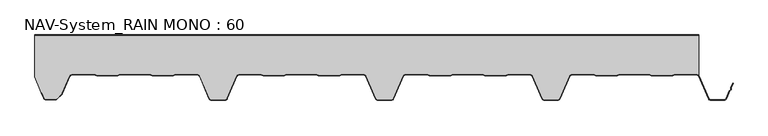
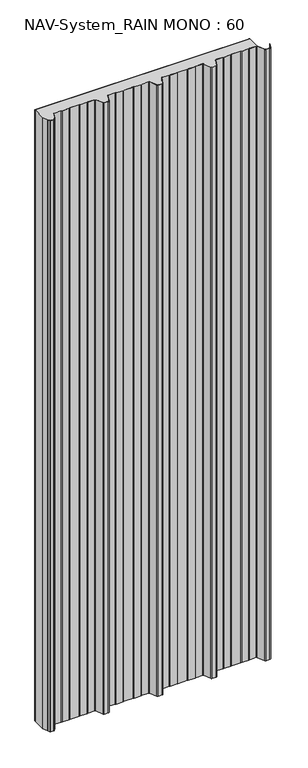
"""IFC4 building model written with IfcOpenShell, lengths in millimetres: plate geometry, NAV-System_RAIN MONO : 60."""

from ifc_helpers import new_model, si_unit, point, frame_2d, origin, origin_with_axes, place, context, project, spatial, polyline, circle_curve, trimmed, segment, composite_curve, outline, extrude, source, transform, mapped, element, save


def nav_system_rain_mono_60_f39ccc45(model_context):
    return source(origin(), model_context, "Body", "SweptSolid", [
        extrude(outline(polyline([(519.0, -0.8), (-478.0, -0.8), (-478.0, 0.0), (519.0, 0.0), (519.0, -0.8)])), origin_with_axes(), (0.0, 0.0, 1.0), 3000.0),
        extrude(outline(composite_curve([segment(trimmed(circle_curve(frame_2d((515.5898022, -64.0)), 4.8), [point((519.0, -60.6220493))], [point((515.5898022, -59.2))], True, "CARTESIAN"), True, "CONTINUOUS"), segment(polyline([(515.5898022, -59.2), (483.6922468, -59.2), (479.6508228, -60.7), (448.0723788, -60.6741102), (444.1768702, -59.2), (400.3589135, -59.2), (396.3174895, -60.7), (364.7390455, -60.6741102), (360.8435369, -59.2), (328.9416341, -59.2)]), True, "CONTINUOUS"), segment(trimmed(circle_curve(frame_2d((328.9416341, -64.0)), 4.8), [point((328.9416341, -59.2))], [point((324.5314363, -62.1052295))], True, "CARTESIAN"), True, "CONTINUOUS"), segment(polyline([(324.5314363, -62.1052295), (310.330878, -95.1579242)]), True, "CONTINUOUS"), segment(trimmed(circle_curve(frame_2d((306.4719549, -93.5)), 4.2), [point((310.330878, -95.1579242))], [point((306.4719549, -97.7))], False, "CARTESIAN"), True, "CONTINUOUS"), segment(polyline([(306.4719549, -97.7), (288.0594814, -97.7)]), True, "CONTINUOUS"), segment(trimmed(circle_curve(frame_2d((288.0594814, -93.5)), 4.2), [point((288.0594814, -97.7))], [point((284.2005583, -95.1579242))], False, "CARTESIAN"), True, "CONTINUOUS"), segment(polyline([(284.2005583, -95.1579242), (270.0, -62.1052295)]), True, "CONTINUOUS"), segment(trimmed(circle_curve(frame_2d((265.5898022, -64.0)), 4.8), [point((270.0, -62.1052295))], [point((265.5898022, -59.2))], True, "CARTESIAN"), True, "CONTINUOUS"), segment(polyline([(265.5898022, -59.2), (233.6922468, -59.2), (229.6508228, -60.7), (198.0723788, -60.6741102), (194.1768702, -59.2), (150.3589135, -59.2), (146.3174895, -60.7), (114.8074622, -60.7), (110.8435369, -59.2), (78.9416341, -59.2)]), True, "CONTINUOUS"), segment(trimmed(circle_curve(frame_2d((78.9416341, -64.0)), 4.8), [point((78.9416341, -59.2))], [point((74.5314363, -62.1052295))], True, "CARTESIAN"), True, "CONTINUOUS"), segment(polyline([(74.5314363, -62.1052295), (60.330878, -95.1579242)]), True, "CONTINUOUS"), segment(trimmed(circle_curve(frame_2d((56.4719549, -93.5)), 4.2), [point((60.330878, -95.1579242))], [point((56.4719549, -97.7))], False, "CARTESIAN"), True, "CONTINUOUS"), segment(polyline([(56.4719549, -97.7), (38.0594814, -97.7)]), True, "CONTINUOUS"), segment(trimmed(circle_curve(frame_2d((38.0594814, -93.5)), 4.2), [point((38.0594814, -97.7))], [point((34.2005583, -95.1579242))], False, "CARTESIAN"), True, "CONTINUOUS"), segment(polyline([(34.2005583, -95.1579242), (20.0, -62.1052295)]), True, "CONTINUOUS"), segment(trimmed(circle_curve(frame_2d((15.5898022, -64.0)), 4.8), [point((20.0, -62.1052295))], [point((15.5898022, -59.2))], True, "CARTESIAN"), True, "CONTINUOUS"), segment(polyline([(15.5898022, -59.2), (-16.3077532, -59.2), (-20.3491772, -60.7), (-51.9276212, -60.6741102), (-55.8231298, -59.2), (-99.6410865, -59.2), (-103.6825105, -60.7), (-135.1925378, -60.7), (-139.1564631, -59.2), (-171.0583659, -59.2)]), True, "CONTINUOUS"), segment(trimmed(circle_curve(frame_2d((-171.0583659, -64.0)), 4.8), [point((-171.0583659, -59.2))], [point((-175.4685637, -62.1052295))], True, "CARTESIAN"), True, "CONTINUOUS"), segment(polyline([(-175.4685637, -62.1052295), (-189.669122, -95.1579242)]), True, "CONTINUOUS"), segment(trimmed(circle_curve(frame_2d((-193.5280451, -93.5)), 4.2), [point((-189.669122, -95.1579242))], [point((-193.5280451, -97.7))], False, "CARTESIAN"), True, "CONTINUOUS"), segment(polyline([(-193.5280451, -97.7), (-211.9405186, -97.7)]), True, "CONTINUOUS"), segment(trimmed(circle_curve(frame_2d((-211.9405186, -93.5)), 4.2), [point((-211.9405186, -97.7))], [point((-215.7994417, -95.1579242))], False, "CARTESIAN"), True, "CONTINUOUS"), segment(polyline([(-215.7994417, -95.1579242), (-230.0, -62.1052295)]), True, "CONTINUOUS"), segment(trimmed(circle_curve(frame_2d((-234.4101978, -64.0)), 4.8), [point((-230.0, -62.1052295))], [point((-234.4101978, -59.2))], True, "CARTESIAN"), True, "CONTINUOUS"), segment(polyline([(-234.4101978, -59.2), (-266.3077532, -59.2), (-270.3491772, -60.7), (-301.9276212, -60.6741102), (-305.8231298, -59.2), (-349.6410865, -59.2), (-353.6825105, -60.7), (-385.1925378, -60.7), (-389.1564631, -59.2), (-421.9290751, -59.2)]), True, "CONTINUOUS"), segment(trimmed(circle_curve(frame_2d((-421.9290751, -64.0)), 4.8), [point((-421.9290751, -59.2))], [point((-426.3392729, -62.1052295))], True, "CARTESIAN"), True, "CONTINUOUS"), segment(polyline([(-426.3392729, -62.1052295), (-437.4245651, -87.9069459)]), True, "CONTINUOUS"), segment(trimmed(circle_curve(frame_2d((-441.2834882, -86.2490217)), 4.2), [point((-437.4245651, -87.9069459))], [point((-438.3136397, -89.2188701))], False, "CARTESIAN"), True, "CONTINUOUS"), segment(polyline([(-438.3136397, -89.2188701), (-444.764618, -95.6698485)]), True, "CONTINUOUS"), segment(trimmed(circle_curve(frame_2d((-447.7344665, -92.7)), 4.2), [point((-444.764618, -95.6698485))], [point((-447.7344665, -96.9))], False, "CARTESIAN"), True, "CONTINUOUS"), segment(polyline([(-447.7344665, -96.9), (-461.1405186, -96.9)]), True, "CONTINUOUS"), segment(trimmed(circle_curve(frame_2d((-461.1405186, -93.7)), 3.2), [point((-461.1405186, -96.9))], [point((-464.1022482, -94.9116756))], False, "CARTESIAN"), True, "CONTINUOUS"), segment(polyline([(-464.1022482, -94.9116756), (-467.6292254, -86.2905951), (-468.3696578, -86.593514), (-478.0, -63.053822), (-478.0, -0.8), (519.0, -0.8), (519.0, -60.6220493)]), True, "CONTINUOUS")], self_intersect=False)), origin_with_axes(), (0.0, 0.0, 1.0), 3000.0),
        extrude(outline(composite_curve([segment(polyline([(-464.8430228, -95.2145945), (-468.37, -86.593514), (-467.6295676, -86.2905951), (-464.1025904, -94.9116756)]), True, "CONTINUOUS"), segment(trimmed(circle_curve(frame_2d((-461.1408608, -93.7)), 3.2), [point((-464.1025904, -94.9116756))], [point((-461.1408608, -96.9))], True, "CARTESIAN"), True, "CONTINUOUS"), segment(polyline([(-461.1408608, -96.9), (-447.7348087, -96.9)]), True, "CONTINUOUS"), segment(trimmed(circle_curve(frame_2d((-447.7348087, -92.7)), 4.2), [point((-447.7348087, -96.9))], [point((-444.7649603, -95.6698485))], True, "CARTESIAN"), True, "CONTINUOUS"), segment(polyline([(-444.7649603, -95.6698485), (-438.3139819, -89.2188701)]), True, "CONTINUOUS"), segment(trimmed(circle_curve(frame_2d((-441.2838304, -86.2490217)), 4.2), [point((-438.3139819, -89.2188701))], [point((-437.4249073, -87.9069459))], True, "CARTESIAN"), True, "CONTINUOUS"), segment(polyline([(-437.4249073, -87.9069459), (-426.3396151, -62.1052295)]), True, "CONTINUOUS"), segment(trimmed(circle_curve(frame_2d((-421.9294173, -64.0)), 4.8), [point((-426.3396151, -62.1052295))], [point((-421.9294173, -59.2))], False, "CARTESIAN"), True, "CONTINUOUS"), segment(polyline([(-421.9294173, -59.2), (-389.1568054, -59.2), (-385.19288, -60.7), (-353.6828527, -60.7), (-349.6414287, -59.2), (-305.8234721, -59.2), (-301.9279634, -60.6741102), (-270.3495194, -60.7), (-266.3080954, -59.2), (-234.41054, -59.2)]), True, "CONTINUOUS"), segment(trimmed(circle_curve(frame_2d((-234.41054, -64.0)), 4.8), [point((-234.41054, -59.2))], [point((-230.0003422, -62.1052295))], False, "CARTESIAN"), True, "CONTINUOUS"), segment(polyline([(-230.0003422, -62.1052295), (-215.7997839, -95.1579242)]), True, "CONTINUOUS"), segment(trimmed(circle_curve(frame_2d((-211.9408608, -93.5)), 4.2), [point((-215.7997839, -95.1579242))], [point((-211.9408608, -97.7))], True, "CARTESIAN"), True, "CONTINUOUS"), segment(polyline([(-211.9408608, -97.7), (-193.5283873, -97.7)]), True, "CONTINUOUS"), segment(trimmed(circle_curve(frame_2d((-193.5283873, -93.5)), 4.2), [point((-193.5283873, -97.7))], [point((-189.6694642, -95.1579242))], True, "CARTESIAN"), True, "CONTINUOUS"), segment(polyline([(-189.6694642, -95.1579242), (-175.4689059, -62.1052295)]), True, "CONTINUOUS"), segment(trimmed(circle_curve(frame_2d((-171.0587081, -64.0)), 4.8), [point((-175.4689059, -62.1052295))], [point((-171.0587081, -59.2))], False, "CARTESIAN"), True, "CONTINUOUS"), segment(polyline([(-171.0587081, -59.2), (-139.1568054, -59.2), (-135.2612967, -60.6741102), (-103.6828527, -60.7), (-99.6414287, -59.2), (-55.8234721, -59.2), (-51.9279634, -60.6741102), (-20.3495194, -60.7), (-16.3080954, -59.2), (15.58946, -59.2)]), True, "CONTINUOUS"), segment(trimmed(circle_curve(frame_2d((15.58946, -64.0)), 4.8), [point((15.58946, -59.2))], [point((19.9996578, -62.1052295))], False, "CARTESIAN"), True, "CONTINUOUS"), segment(polyline([(19.9996578, -62.1052295), (34.2002161, -95.1579242)]), True, "CONTINUOUS"), segment(trimmed(circle_curve(frame_2d((38.0591392, -93.5)), 4.2), [point((34.2002161, -95.1579242))], [point((38.0591392, -97.7))], True, "CARTESIAN"), True, "CONTINUOUS"), segment(polyline([(38.0591392, -97.7), (56.4716127, -97.7)]), True, "CONTINUOUS"), segment(trimmed(circle_curve(frame_2d((56.4716127, -93.5)), 4.2), [point((56.4716127, -97.7))], [point((60.3305358, -95.1579242))], True, "CARTESIAN"), True, "CONTINUOUS"), segment(polyline([(60.3305358, -95.1579242), (74.5310941, -62.1052295)]), True, "CONTINUOUS"), segment(trimmed(circle_curve(frame_2d((78.9412919, -64.0)), 4.8), [point((74.5310941, -62.1052295))], [point((78.9412919, -59.2))], False, "CARTESIAN"), True, "CONTINUOUS"), segment(polyline([(78.9412919, -59.2), (110.8431946, -59.2), (114.7387033, -60.6741102), (146.3171473, -60.7), (150.3585713, -59.2), (194.1765279, -59.2), (198.0720366, -60.6741102), (229.6504806, -60.7), (233.6919046, -59.2), (265.58946, -59.2)]), True, "CONTINUOUS"), segment(trimmed(circle_curve(frame_2d((265.58946, -64.0)), 4.8), [point((265.58946, -59.2))], [point((269.9996578, -62.1052295))], False, "CARTESIAN"), True, "CONTINUOUS"), segment(polyline([(269.9996578, -62.1052295), (284.2002161, -95.1579242)]), True, "CONTINUOUS"), segment(trimmed(circle_curve(frame_2d((288.0591392, -93.5)), 4.2), [point((284.2002161, -95.1579242))], [point((288.0591392, -97.7))], True, "CARTESIAN"), True, "CONTINUOUS"), segment(polyline([(288.0591392, -97.7), (306.4716127, -97.7)]), True, "CONTINUOUS"), segment(trimmed(circle_curve(frame_2d((306.4716127, -93.5)), 4.2), [point((306.4716127, -97.7))], [point((310.3305358, -95.1579242))], True, "CARTESIAN"), True, "CONTINUOUS"), segment(polyline([(310.3305358, -95.1579242), (324.5310941, -62.1052295)]), True, "CONTINUOUS"), segment(trimmed(circle_curve(frame_2d((328.9412919, -64.0)), 4.8), [point((324.5310941, -62.1052295))], [point((328.9412919, -59.2))], False, "CARTESIAN"), True, "CONTINUOUS"), segment(polyline([(328.9412919, -59.2), (360.8431946, -59.2), (364.7387033, -60.6741102), (396.3171473, -60.7), (400.3585713, -59.2), (444.1765279, -59.2), (448.0720366, -60.6741102), (479.6504806, -60.7), (483.6919046, -59.2), (515.58946, -59.2)]), True, "CONTINUOUS"), segment(trimmed(circle_curve(frame_2d((515.58946, -64.0)), 4.8), [point((515.58946, -59.2))], [point((519.9996578, -62.1052295))], False, "CARTESIAN"), True, "CONTINUOUS"), segment(polyline([(519.9996578, -62.1052295), (534.2002161, -95.1579242)]), True, "CONTINUOUS"), segment(trimmed(circle_curve(frame_2d((538.0591392, -93.5)), 4.2), [point((534.2002161, -95.1579242))], [point((538.0591392, -97.7))], True, "CARTESIAN"), True, "CONTINUOUS"), segment(polyline([(538.0591392, -97.7), (556.4716127, -97.7)]), True, "CONTINUOUS"), segment(trimmed(circle_curve(frame_2d((556.4716127, -93.5)), 4.2), [point((556.4716127, -97.7))], [point((560.3305358, -95.1579242))], True, "CARTESIAN"), True, "CONTINUOUS"), segment(polyline([(560.3305358, -95.1579242), (565.2356202, -83.741031), (567.1121268, -82.0654564), (567.0358547, -79.5508717), (570.0831709, -72.458051), (570.8182039, -72.7738461), (567.8408612, -79.703799), (567.9230626, -82.4138642), (565.9006789, -84.2196957), (561.0655687, -95.4737193)]), True, "CONTINUOUS"), segment(trimmed(circle_curve(frame_2d((556.4716127, -93.5)), 5.0), [point((561.0655687, -95.4737193))], [point((556.4716127, -98.5))], False, "CARTESIAN"), True, "CONTINUOUS"), segment(polyline([(556.4716127, -98.5), (538.0591392, -98.5)]), True, "CONTINUOUS"), segment(trimmed(circle_curve(frame_2d((538.0591392, -93.5)), 5.0), [point((538.0591392, -98.5))], [point((533.4651831, -95.4737193))], False, "CARTESIAN"), True, "CONTINUOUS"), segment(polyline([(533.4651831, -95.4737193), (519.2646248, -62.4210246)]), True, "CONTINUOUS"), segment(trimmed(circle_curve(frame_2d((515.58946, -64.0)), 4.0), [point((519.2646248, -62.4210246))], [point((515.58946, -60.0))], True, "CARTESIAN"), True, "CONTINUOUS"), segment(polyline([(515.58946, -60.0), (483.8338601, -60.0), (479.8699347, -61.5), (447.9941505, -61.5), (444.0302251, -60.0), (400.5005268, -60.0), (396.5366014, -61.5), (364.6608172, -61.5), (360.6968918, -60.0), (328.9412919, -60.0)]), True, "CONTINUOUS"), segment(trimmed(circle_curve(frame_2d((328.9412919, -64.0)), 4.0), [point((328.9412919, -60.0))], [point((325.2661271, -62.4210246))], True, "CARTESIAN"), True, "CONTINUOUS"), segment(polyline([(325.2661271, -62.4210246), (311.0655687, -95.4737193)]), True, "CONTINUOUS"), segment(trimmed(circle_curve(frame_2d((306.4716127, -93.5)), 5.0), [point((311.0655687, -95.4737193))], [point((306.4716127, -98.5))], False, "CARTESIAN"), True, "CONTINUOUS"), segment(polyline([(306.4716127, -98.5), (288.0591392, -98.5)]), True, "CONTINUOUS"), segment(trimmed(circle_curve(frame_2d((288.0591392, -93.5)), 5.0), [point((288.0591392, -98.5))], [point((283.4651831, -95.4737193))], False, "CARTESIAN"), True, "CONTINUOUS"), segment(polyline([(283.4651831, -95.4737193), (269.2646248, -62.4210246)]), True, "CONTINUOUS"), segment(trimmed(circle_curve(frame_2d((265.58946, -64.0)), 4.0), [point((269.2646248, -62.4210246))], [point((265.58946, -60.0))], True, "CARTESIAN"), True, "CONTINUOUS"), segment(polyline([(265.58946, -60.0), (233.8338601, -60.0), (229.8699347, -61.5), (197.9941505, -61.5), (194.0302251, -60.0), (150.5005268, -60.0), (146.5366014, -61.5), (114.6608172, -61.5), (110.6968918, -60.0), (78.9412919, -60.0)]), True, "CONTINUOUS"), segment(trimmed(circle_curve(frame_2d((78.9412919, -64.0)), 4.0), [point((78.9412919, -60.0))], [point((75.2661271, -62.4210246))], True, "CARTESIAN"), True, "CONTINUOUS"), segment(polyline([(75.2661271, -62.4210246), (61.0655687, -95.4737193)]), True, "CONTINUOUS"), segment(trimmed(circle_curve(frame_2d((56.4716127, -93.5)), 5.0), [point((61.0655687, -95.4737193))], [point((56.4716127, -98.5))], False, "CARTESIAN"), True, "CONTINUOUS"), segment(polyline([(56.4716127, -98.5), (38.0591392, -98.5)]), True, "CONTINUOUS"), segment(trimmed(circle_curve(frame_2d((38.0591392, -93.5)), 5.0), [point((38.0591392, -98.5))], [point((33.4651831, -95.4737193))], False, "CARTESIAN"), True, "CONTINUOUS"), segment(polyline([(33.4651831, -95.4737193), (19.2646248, -62.4210246)]), True, "CONTINUOUS"), segment(trimmed(circle_curve(frame_2d((15.58946, -64.0)), 4.0), [point((19.2646248, -62.4210246))], [point((15.58946, -60.0))], True, "CARTESIAN"), True, "CONTINUOUS"), segment(polyline([(15.58946, -60.0), (-16.1661399, -60.0), (-20.1300653, -61.5), (-52.0058495, -61.5), (-55.9697749, -60.0), (-99.4994732, -60.0), (-103.4633986, -61.5), (-135.3391828, -61.5), (-139.3031082, -60.0), (-171.0587081, -60.0)]), True, "CONTINUOUS"), segment(trimmed(circle_curve(frame_2d((-171.0587081, -64.0)), 4.0), [point((-171.0587081, -60.0))], [point((-174.7338729, -62.4210246))], True, "CARTESIAN"), True, "CONTINUOUS"), segment(polyline([(-174.7338729, -62.4210246), (-188.9344313, -95.4737193)]), True, "CONTINUOUS"), segment(trimmed(circle_curve(frame_2d((-193.5283873, -93.5)), 5.0), [point((-188.9344313, -95.4737193))], [point((-193.5283873, -98.5))], False, "CARTESIAN"), True, "CONTINUOUS"), segment(polyline([(-193.5283873, -98.5), (-211.9408608, -98.5)]), True, "CONTINUOUS"), segment(trimmed(circle_curve(frame_2d((-211.9408608, -93.5)), 5.0), [point((-211.9408608, -98.5))], [point((-216.5348169, -95.4737193))], False, "CARTESIAN"), True, "CONTINUOUS"), segment(polyline([(-216.5348169, -95.4737193), (-230.7353752, -62.4210246)]), True, "CONTINUOUS"), segment(trimmed(circle_curve(frame_2d((-234.41054, -64.0)), 4.0), [point((-230.7353752, -62.4210246))], [point((-234.41054, -60.0))], True, "CARTESIAN"), True, "CONTINUOUS"), segment(polyline([(-234.41054, -60.0), (-266.1661399, -60.0), (-270.1300653, -61.5), (-302.0058495, -61.5), (-305.9697749, -60.0), (-349.4994732, -60.0), (-353.4633986, -61.5), (-385.3391828, -61.5), (-389.3031082, -60.0), (-421.9294173, -60.0)]), True, "CONTINUOUS"), segment(trimmed(circle_curve(frame_2d((-421.9294173, -64.0)), 4.0), [point((-421.9294173, -60.0))], [point((-425.6045822, -62.4210246))], True, "CARTESIAN"), True, "CONTINUOUS"), segment(polyline([(-425.6045822, -62.4210246), (-436.6898744, -88.2227409)]), True, "CONTINUOUS"), segment(trimmed(circle_curve(frame_2d((-441.2838304, -86.2490217)), 5.0), [point((-436.6898744, -88.2227409))], [point((-437.7482965, -89.7845556))], False, "CARTESIAN"), True, "CONTINUOUS"), segment(polyline([(-437.7482965, -89.7845556), (-444.1992748, -96.2355339)]), True, "CONTINUOUS"), segment(trimmed(circle_curve(frame_2d((-447.7348087, -92.7)), 5.0), [point((-444.1992748, -96.2355339))], [point((-447.7348087, -97.7))], False, "CARTESIAN"), True, "CONTINUOUS"), segment(polyline([(-447.7348087, -97.7), (-461.1408608, -97.7)]), True, "CONTINUOUS"), segment(trimmed(circle_curve(frame_2d((-461.1408608, -93.7)), 4.0), [point((-461.1408608, -97.7))], [point((-464.8430228, -95.2145945))], False, "CARTESIAN"), True, "CONTINUOUS")], self_intersect=False)), origin_with_axes(), (0.0, 0.0, 1.0), 3000.0),
    ])


if __name__ == "__main__":
    model = new_model("IFC4")
    model_context = context("Model", 3, world=origin())
    ifc_project = project(units=[si_unit("LENGTHUNIT", "METRE", prefix="MILLI")], contexts=[model_context])
    site = spatial("IfcSite", under=ifc_project)
    building = spatial("IfcBuilding", under=site)
    placement = place(None, origin())
    nav_system_rain_mono_60_shape = nav_system_rain_mono_60_f39ccc45(model_context)
    element("IfcPlate", 1, ObjectType="NAV-System_RAIN MONO : 60", at=placement, inside=building, context=model_context, shape_type="MappedRepresentation", body=[
        mapped(nav_system_rain_mono_60_shape, transform((0.0, 0.0, 0.0), x_axis=(1.0, 0.0, 0.0), y_axis=(0.0, 1.0, 0.0), z_axis=(0.0, 0.0, 1.0))),
    ])
    save(model, "model.ifc")
